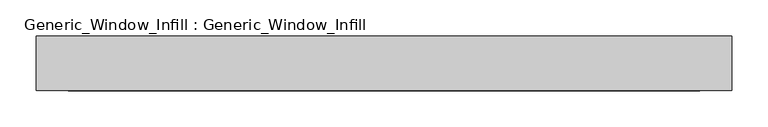
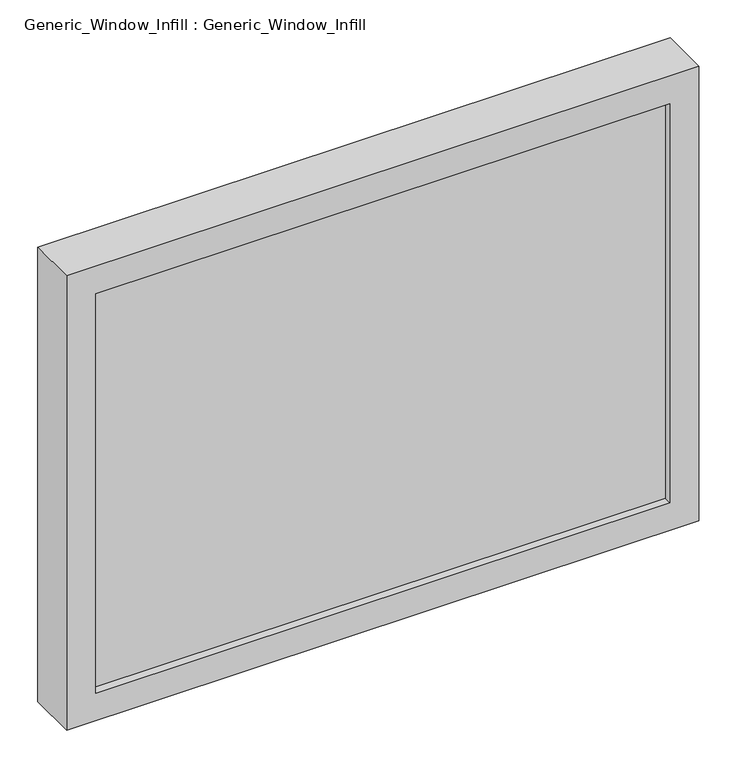
"""IFC4 building model written with IfcOpenShell, lengths in millimetres: plate geometry, Generic_Window_Infill : Generic_Window_Infill."""

from ifc_helpers import new_model, si_unit, frame, origin, place, context, project, spatial, polyline, outline, extrude, source, transform, mapped, element, save


def generic_window_infill_generic_window_infill_7bb5e0af(model_context):
    return source(origin(), model_context, "Body", "SweptSolid", [
        extrude(outline(polyline([(438.15, 12.0261239), (-438.15, 12.0261239), (-438.15, 42.4497356), (438.15, 42.4497356), (438.15, 12.0261239)])), frame((0.0, 0.0, 44.45), z_axis=(0.0, 0.0, 1.0), x_axis=(1.0, 0.0, 0.0)), (0.0, 0.0, 1.0), 644.525),
        extrude(outline(polyline([(733.425, 482.6), (733.425, -482.6), (0.0, -482.6), (0.0, 482.6), (733.425, 482.6)]), holes=[polyline([(44.45, 438.15), (44.45, -438.15), (688.975, -438.15), (688.975, 438.15), (44.45, 438.15)])]), frame((0.0, 0.0, 0.0), z_axis=(0.0, 1.0, 0.0), x_axis=(0.0, 0.0, 1.0)), (0.0, 0.0, 1.0), 76.2),
    ])


if __name__ == "__main__":
    model = new_model("IFC4")
    model_context = context("Model", 3, world=origin())
    ifc_project = project(units=[si_unit("LENGTHUNIT", "METRE", prefix="MILLI")], contexts=[model_context])
    site = spatial("IfcSite", under=ifc_project)
    building = spatial("IfcBuilding", under=site)
    placement = place(None, origin())
    generic_window_infill_generic_window_infill_shape = generic_window_infill_generic_window_infill_7bb5e0af(model_context)
    element("IfcPlate", 1, ObjectType="Generic_Window_Infill : Generic_Window_Infill", at=placement, inside=building, context=model_context, shape_type="MappedRepresentation", body=[
        mapped(generic_window_infill_generic_window_infill_shape, transform((0.0, 0.0, 0.0), x_axis=(1.0, 0.0, 0.0), y_axis=(0.0, 1.0, 0.0), z_axis=(0.0, 0.0, 1.0))),
    ])
    save(model, "model.ifc")
